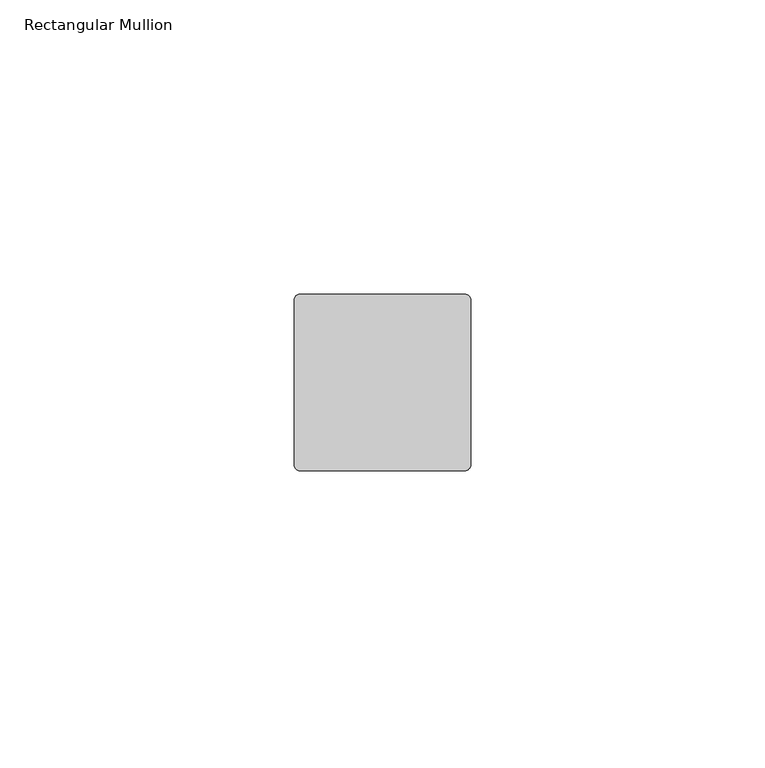
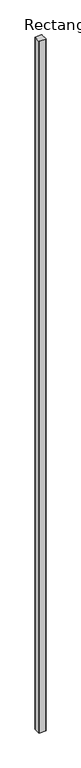
"""IFC4 building model written with IfcOpenShell, lengths in millimetres: member geometry, Rectangular Mullion."""

import ifcopenshell
import ifcopenshell.guid

model = None  # the IFC model being written
_history = None  # IfcOwnerHistory: only IFC2X3 demands one
_inside = {}  # id of a spatial element -> (the spatial element, [elements in it])
_under = {}  # id of a project, library or spatial element -> (it, [spatial elements below it])
_declared = {}  # id of a project -> (the project, [libraries it declares])
_typed = {}  # id of a type object -> (the type object, [elements of that type])
_made_of = {}  # id of a material, layer set ... -> (it, [elements and type objects made of it])


def new_model(schema):
    """Start an empty IFC model of exactly this schema.

    Asked for "IFC4X3", IfcOpenShell would pick the latest addendum, in which some entities
    have other attributes; the version numbers below select the first issue.
    IFC2X3 requires an IfcOwnerHistory on every rooted entity: one is made here for all.
    """
    global model, _history
    if schema == "IFC4X3":
        model = ifcopenshell.file(schema_version=(4, 3, 0, 0))
    else:
        model = ifcopenshell.file(schema=schema)
    _inside.clear()
    _under.clear()
    _declared.clear()
    _typed.clear()
    _made_of.clear()
    _history = None
    if model.schema == "IFC2X3":
        org = make("IfcOrganization", Name="unknown")
        user = make(
            "IfcPersonAndOrganization",
            ThePerson=make("IfcPerson", FamilyName="unknown"),
            TheOrganization=org,
        )
        app = make(
            "IfcApplication",
            ApplicationDeveloper=org,
            Version="unknown",
            ApplicationFullName="unknown",
            ApplicationIdentifier="unknown",
        )
        _history = make(
            "IfcOwnerHistory",
            OwningUser=user,
            OwningApplication=app,
            ChangeAction="ADDED",
            CreationDate=0,
        )
    return model


def make(cls, **values):
    """One entity of the class cls with the attributes given. An attribute that is None is left unset."""
    return model.create_entity(
        cls, **{name: value for name, value in values.items() if value is not None}
    )


def rooted(cls, **values):
    """An entity with a GlobalId (a new one), such as an element, a storey or a relation."""
    return make(cls, GlobalId=ifcopenshell.guid.new(), OwnerHistory=_history, **values)


def si_unit(unit_type, name, prefix=None):
    """IfcSIUnit, for example si_unit("LENGTHUNIT", "METRE", prefix="MILLI")."""
    return make("IfcSIUnit", UnitType=unit_type, Prefix=prefix, Name=name)


def assignment(units):
    """IfcUnitAssignment: the units of a project."""
    return None if units is None else make("IfcUnitAssignment", Units=units)


def point(xyz):
    """IfcCartesianPoint."""
    return None if xyz is None else make("IfcCartesianPoint", Coordinates=xyz)


def direction(xyz):
    """IfcDirection."""
    return None if xyz is None else make("IfcDirection", DirectionRatios=xyz)


def frame(location, z_axis=None, x_axis=None):
    """IfcAxis2Placement3D, a coordinate frame: its origin and axes. An axis left out is left unset."""
    return make(
        "IfcAxis2Placement3D",
        Location=point(location),
        Axis=direction(z_axis),
        RefDirection=direction(x_axis),
    )


def frame_2d(location, x_axis=None):
    """IfcAxis2Placement2D, a coordinate frame in the plane: its origin and x axis."""
    return make(
        "IfcAxis2Placement2D", Location=point(location), RefDirection=direction(x_axis)
    )


def origin():
    """The frame at (0, 0, 0) with its axes left unset."""
    return frame((0.0, 0.0, 0.0))


def place(relative_to, where):
    """IfcLocalPlacement: puts the frame where relative to a parent placement (None: the world)."""
    return make(
        "IfcLocalPlacement", PlacementRelTo=relative_to, RelativePlacement=where
    )


def context(
    kind, dimensions, precision=None, world=None, true_north=None, identifier=None
):
    """IfcGeometricRepresentationContext, for example the 3D "Model" context."""
    return make(
        "IfcGeometricRepresentationContext",
        ContextIdentifier=identifier,
        ContextType=kind,
        CoordinateSpaceDimension=dimensions,
        Precision=precision,
        WorldCoordinateSystem=world,
        TrueNorth=true_north,
    )


def project(units=None, contexts=None):
    """IfcProject with its units and contexts."""
    return rooted(
        "IfcProject",
        Name="project",
        RepresentationContexts=contexts,
        UnitsInContext=assignment(units),
    )


def spatial(cls, under=None, at=None, **own):
    """A site, building, storey or space (cls), placed at a placement, below another one or the project."""
    s = rooted(cls, ObjectPlacement=at, **own)
    if under is not None:
        _under.setdefault(under.id(), (under, []))[1].append(s)
    return s


def polyline(points):
    """IfcPolyline through the points."""
    return make("IfcPolyline", Points=[point(p) for p in points])


def circle_curve(where, radius):
    """IfcCircle in the frame where."""
    return make("IfcCircle", Position=where, Radius=radius)


def trimmed(basis, trim1, trim2, sense, master):
    """IfcTrimmedCurve: the piece of a basis curve between two trims."""
    return make(
        "IfcTrimmedCurve",
        BasisCurve=basis,
        Trim1=trim1,
        Trim2=trim2,
        SenseAgreement=sense,
        MasterRepresentation=master,
    )


def segment(curve, same_sense, transition):
    """IfcCompositeCurveSegment."""
    return make(
        "IfcCompositeCurveSegment",
        Transition=transition,
        SameSense=same_sense,
        ParentCurve=curve,
    )


def composite_curve(segments, self_intersect=None):
    """IfcCompositeCurve: segments joined end to end."""
    return make("IfcCompositeCurve", Segments=segments, SelfIntersect=self_intersect)


def outline(outer, holes=None, kind="AREA"):
    """IfcArbitraryClosedProfileDef: a profile drawn as a closed curve; with holes, ...WithVoids."""
    if holes is None:
        return make("IfcArbitraryClosedProfileDef", ProfileType=kind, OuterCurve=outer)
    return make(
        "IfcArbitraryProfileDefWithVoids",
        ProfileType=kind,
        OuterCurve=outer,
        InnerCurves=holes,
    )


def extrude(swept, where, along, depth):
    """IfcExtrudedAreaSolid: the profile swept, set in the frame where, extruded along a direction by depth."""
    return make(
        "IfcExtrudedAreaSolid",
        SweptArea=swept,
        Position=where,
        ExtrudedDirection=direction(along),
        Depth=depth,
    )


def shape(context_of_items, identifier, shape_type, items):
    """IfcShapeRepresentation: the items that make up one representation, for example the "Body"."""
    return make(
        "IfcShapeRepresentation",
        ContextOfItems=context_of_items,
        RepresentationIdentifier=identifier,
        RepresentationType=shape_type,
        Items=items,
    )


def source(mapping_origin, context_of_items, identifier, shape_type, items):
    """IfcRepresentationMap: a shape defined once, which mapped items show again and again."""
    return make(
        "IfcRepresentationMap",
        MappingOrigin=mapping_origin,
        MappedRepresentation=shape(context_of_items, identifier, shape_type, items),
    )


def transform(
    local_origin,
    x_axis=None,
    y_axis=None,
    z_axis=None,
    scale=None,
    scale2=None,
    scale3=None,
    uniform=True,
):
    """IfcCartesianTransformationOperator3D, or its non-uniform kind. x_axis, y_axis, z_axis: its Axis1, 2, 3."""
    if uniform:
        return make(
            "IfcCartesianTransformationOperator3D",
            Axis1=direction(x_axis),
            Axis2=direction(y_axis),
            LocalOrigin=point(local_origin),
            Scale=scale,
            Axis3=direction(z_axis),
        )
    return make(
        "IfcCartesianTransformationOperator3DnonUniform",
        Axis1=direction(x_axis),
        Axis2=direction(y_axis),
        LocalOrigin=point(local_origin),
        Scale=scale,
        Axis3=direction(z_axis),
        Scale2=scale2,
        Scale3=scale3,
    )


def mapped(mapping_source, mapping_target):
    """IfcMappedItem: shows the shape of a source again, moved by a transform."""
    return make(
        "IfcMappedItem", MappingSource=mapping_source, MappingTarget=mapping_target
    )


def made_of(thing, what):
    """Note that an element or type object is made of a material, layer set ...; save() writes the relation."""
    if what is not None:
        _made_of.setdefault(what.id(), (what, []))[1].append(thing)
    return thing


def element(
    cls,
    number,
    at=None,
    inside=None,
    cuts=None,
    type_object=None,
    material=None,
    context=None,
    identifier="Body",
    shape_type=None,
    held_by="IfcProductDefinitionShape",
    body=None,
    shapes=None,
    **own,
):
    """One element of the class cls, such as IfcWall. Its Tag is "e" and its number.

    at: its placement. inside: the storey or other place that contains it. cuts: it is an
    opening in that element (IfcRelVoidsElement). A single representation is given by context,
    identifier, shape_type and body (its items); several are given by shapes. held_by: the class
    of the entity that holds the representations. save() writes the other relations.
    """
    e = rooted(cls, Tag="e%d" % number, ObjectPlacement=at, **own)
    if body is not None:
        shapes = [shape(context, identifier, shape_type, body)]
    if shapes is not None:
        e.Representation = make(held_by, Representations=shapes)
    if inside is not None:
        _inside.setdefault(inside.id(), (inside, []))[1].append(e)
    if cuts is not None:
        rooted(
            "IfcRelVoidsElement", RelatingBuildingElement=cuts, RelatedOpeningElement=e
        )
    if type_object is not None:
        _typed.setdefault(type_object.id(), (type_object, []))[1].append(e)
    return made_of(e, material)


def aggregate(whole, parts):
    """IfcRelAggregates: a whole, such as a stair, and the parts it consists of."""
    return rooted("IfcRelAggregates", RelatingObject=whole, RelatedObjects=parts)


def save(model, path):
    """Write the relations noted so far, then the file.

    IfcRelAggregates (storeys below a building ...), IfcRelContainedInSpatialStructure (elements
    in a storey), IfcRelDefinesByType, IfcRelAssociatesMaterial and IfcRelDeclares: one each for
    every whole, place, type object, material and project.
    """
    for whole, parts in _under.values():
        aggregate(whole, parts)
    for where, things in _inside.values():
        rooted(
            "IfcRelContainedInSpatialStructure",
            RelatedElements=things,
            RelatingStructure=where,
        )
    for kind, things in _typed.values():
        rooted("IfcRelDefinesByType", RelatedObjects=things, RelatingType=kind)
    for what, things in _made_of.values():
        rooted("IfcRelAssociatesMaterial", RelatedObjects=things, RelatingMaterial=what)
    for by, libraries in _declared.values():
        rooted("IfcRelDeclares", RelatingContext=by, RelatedDefinitions=libraries)
    model.write(path)


def rectangular_mullion_ef7f527c(model_context):
    return source(origin(), model_context, "Body", "SweptSolid", [
        extrude(outline(composite_curve([segment(polyline([(-14.0, 15.0), (14.0, 15.0)]), True, "CONTINUOUS"), segment(trimmed(circle_curve(frame_2d((14.0, 14.0)), 1.0), [point((14.0, 15.0))], [point((15.0, 14.0))], False, "CARTESIAN"), True, "CONTINUOUS"), segment(polyline([(15.0, 14.0), (15.0, -14.0)]), True, "CONTINUOUS"), segment(trimmed(circle_curve(frame_2d((14.0, -14.0)), 1.0), [point((15.0, -14.0))], [point((14.0, -15.0))], False, "CARTESIAN"), True, "CONTINUOUS"), segment(polyline([(14.0, -15.0), (-14.0, -15.0)]), True, "CONTINUOUS"), segment(trimmed(circle_curve(frame_2d((-14.0, -14.0)), 1.0), [point((-14.0, -15.0))], [point((-15.0, -14.0))], False, "CARTESIAN"), True, "CONTINUOUS"), segment(polyline([(-15.0, -14.0), (-15.0, 14.0)]), True, "CONTINUOUS"), segment(trimmed(circle_curve(frame_2d((-14.0, 14.0)), 1.0), [point((-15.0, 14.0))], [point((-14.0, 15.0))], False, "CARTESIAN"), True, "CONTINUOUS")], self_intersect=False)), frame((0.0, 0.0, -3000.0), z_axis=(0.0, 0.0, 1.0), x_axis=(1.0, 0.0, 0.0)), (0.0, 0.0, 1.0), 3000.0),
    ])


if __name__ == "__main__":
    model = new_model("IFC4")
    model_context = context("Model", 3, world=origin())
    ifc_project = project(units=[si_unit("LENGTHUNIT", "METRE", prefix="MILLI")], contexts=[model_context])
    site = spatial("IfcSite", under=ifc_project)
    building = spatial("IfcBuilding", under=site)
    placement = place(None, origin())
    rectangular_mullion_shape = rectangular_mullion_ef7f527c(model_context)
    element("IfcMember", 1, ObjectType="Rectangular Mullion", at=placement, inside=building, context=model_context, shape_type="MappedRepresentation", body=[
        mapped(rectangular_mullion_shape, transform((0.0, 0.0, 0.0), x_axis=(1.0, 0.0, 0.0), y_axis=(0.0, 1.0, 0.0), z_axis=(0.0, 0.0, 1.0))),
    ])
    save(model, "model.ifc")
